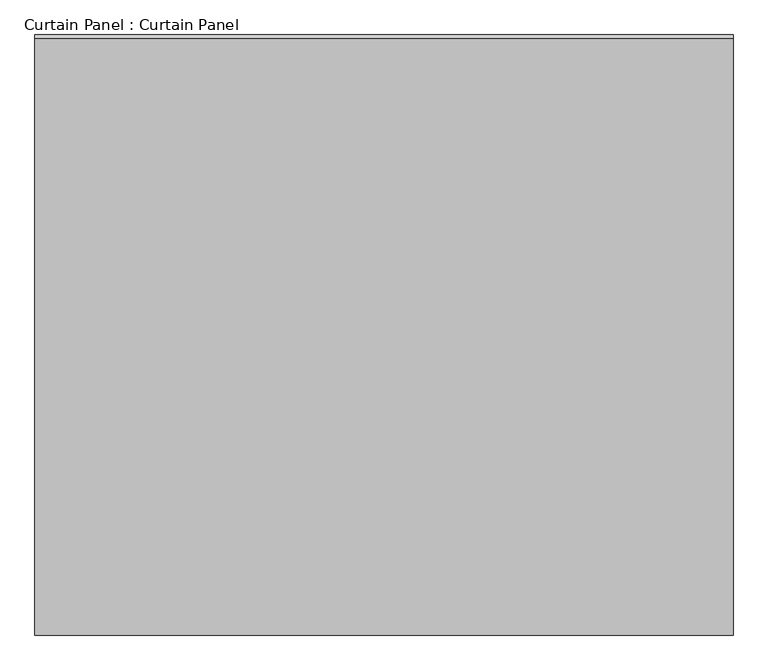
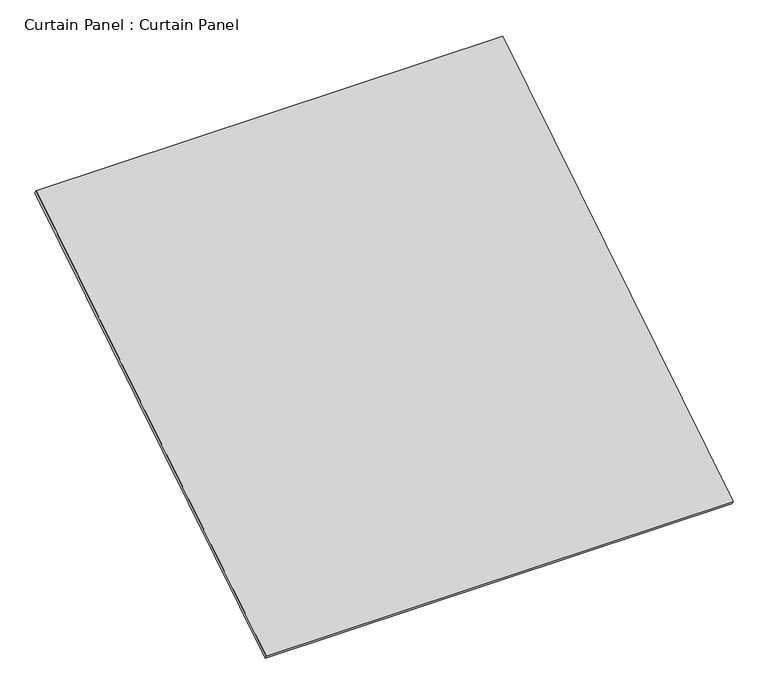
"""IFC4 building model written with IfcOpenShell, lengths in millimetres: plate geometry, Curtain Panel : Curtain Panel."""

from ifc_helpers import new_model, si_unit, frame, origin, place, context, project, spatial, polyline, outline, extrude, source, transform, mapped, element, save


def curtain_panel_curtain_panel_a5154e57(model_context):
    return source(origin(), model_context, "Body", "SweptSolid", [
        extrude(outline(polyline([(-63.5, 0.0), (-63.5, -3013.0749999), (-3048.0, -3013.0749999), (-3048.0, 0.0), (-63.5, 0.0)])), frame((-117670.6430895, 1236.2760673, 10424.4040613), z_axis=(0.0, -0.5318918435658209, 0.8468122972348432), x_axis=(-1.0, 0.0, 0.0)), (0.0, 0.0, 1.0), 25.4),
    ])


if __name__ == "__main__":
    model = new_model("IFC4")
    model_context = context("Model", 3, world=origin())
    ifc_project = project(units=[si_unit("LENGTHUNIT", "METRE", prefix="MILLI")], contexts=[model_context])
    site = spatial("IfcSite", under=ifc_project)
    building = spatial("IfcBuilding", under=site)
    placement = place(None, origin())
    curtain_panel_curtain_panel_shape = curtain_panel_curtain_panel_a5154e57(model_context)
    element("IfcPlate", 1, ObjectType="Curtain Panel : Curtain Panel", at=placement, inside=building, context=model_context, shape_type="MappedRepresentation", body=[
        mapped(curtain_panel_curtain_panel_shape, transform((0.0, 0.0, 0.0), x_axis=(1.0, 0.0, 0.0), y_axis=(0.0, 1.0, 0.0), z_axis=(0.0, 0.0, 1.0))),
    ])
    save(model, "model.ifc")
